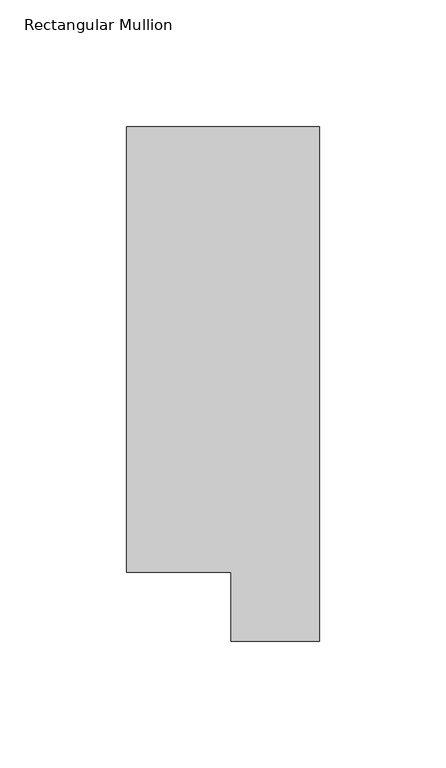
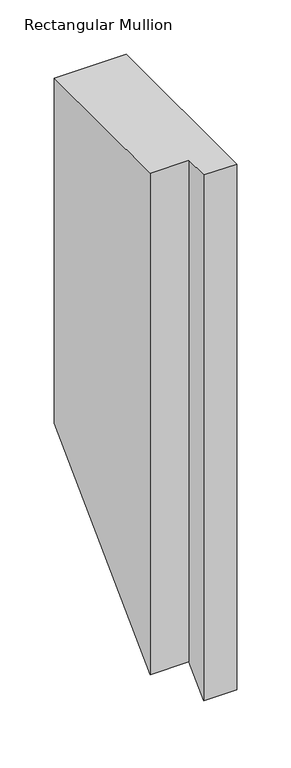
"""IFC4 building model written with IfcOpenShell, lengths in millimetres: member geometry, Rectangular Mullion."""

from ifc_helpers import new_model, si_unit, origin, place, context, project, spatial, faceted_brep, source, transform, mapped, element, save


def rectangular_mullion_87838b77(model_context):
    return source(origin(), model_context, "Body", "Brep", [
        faceted_brep([(0.0, 222.5381312, 0.0), (-76.2, 222.5381312, 0.0), (-76.2, 46.7447302, 0.0), (-34.9123, 46.7447302, 0.0), (-34.9123, 19.5667312, 0.0), (0.0, 19.5667312, 0.0), (0.0, 222.5381312, -387.0301188), (-76.2, 222.5381312, -387.0301188), (-76.2, 46.7447302, -562.8235198), (-34.9123, 46.7447302, -562.8235198), (-34.9123, 19.5667312, -590.0015188), (0.0, 19.5667312, -590.0015188)], [[[0, 1, 2, 3, 4, 5]], [[1, 0, 6, 7]], [[2, 1, 7, 8]], [[3, 2, 8, 9]], [[4, 3, 9, 10]], [[5, 4, 10, 11]], [[0, 5, 11, 6]], [[6, 11, 10, 9, 8, 7]]]),
    ])


if __name__ == "__main__":
    model = new_model("IFC4")
    model_context = context("Model", 3, world=origin())
    ifc_project = project(units=[si_unit("LENGTHUNIT", "METRE", prefix="MILLI")], contexts=[model_context])
    site = spatial("IfcSite", under=ifc_project)
    building = spatial("IfcBuilding", under=site)
    placement = place(None, origin())
    rectangular_mullion_shape = rectangular_mullion_87838b77(model_context)
    element("IfcMember", 1, ObjectType="Rectangular Mullion", at=placement, inside=building, context=model_context, shape_type="MappedRepresentation", body=[
        mapped(rectangular_mullion_shape, transform((0.0, 0.0, 0.0), x_axis=(1.0, 0.0, 0.0), y_axis=(0.0, 1.0, 0.0), z_axis=(0.0, 0.0, 1.0))),
    ])
    save(model, "model.ifc")
